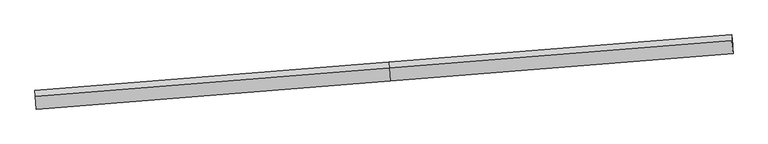
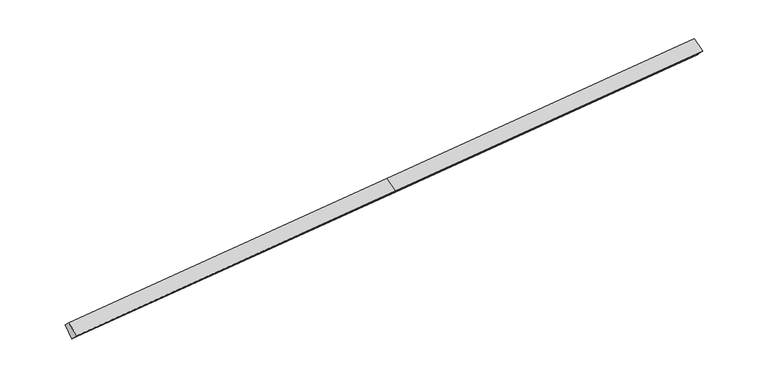
"""IFC4 building model written with IfcOpenShell, lengths in millimetres: proxy geometry."""

from ifc_helpers import new_model, si_unit, origin, place, context, project, spatial, faceted_brep, source, transform, mapped, element, save


def generic_models_b47a809f(model_context):
    return source(origin(), model_context, "Body", "Brep", [
        faceted_brep([(-17067.4353828, -2675.0198114, 992.6145218), (-17061.6770845, -2961.941467, 1278.9380897), (152.7625567, -1590.3476311, 2314.27385), (147.0042584, -1303.4259756, 2027.9502821), (-16999.0481176, -3160.2720825, 504.9732834), (215.3915236, -1788.6782466, 1540.3090437), (-16996.0783502, -3308.2481951, 652.6409401), (218.3612911, -1936.6543592, 1687.9767004), (-16990.4036443, -3591.0046457, 934.8079855), (224.0359969, -2219.4108099, 1970.1437458), (16879.0432488, -595.6788307, 2689.6085621), (16876.0734813, -447.7027181, 2541.9409054), (16807.6862162, 37.549553, 3029.5821437), (16813.4445145, -249.3721026, 3315.9057117), (16884.7179546, -878.4352813, 2971.7756075)], [[[0, 1, 2, 3]], [[4, 0, 5]], [[6, 4, 5, 7]], [[8, 6, 7, 9]], [[1, 8, 9, 2]], [[10, 11, 12, 13, 14]], [[1, 0, 4, 6, 8]], [[3, 5, 0]], [[7, 5, 11, 10]], [[5, 3, 12, 11]], [[3, 2, 13, 12]], [[2, 9, 14, 13]], [[9, 7, 10, 14]]]),
    ])


if __name__ == "__main__":
    model = new_model("IFC4")
    model_context = context("Model", 3, world=origin())
    ifc_project = project(units=[si_unit("LENGTHUNIT", "METRE", prefix="MILLI")], contexts=[model_context])
    site = spatial("IfcSite", under=ifc_project)
    building = spatial("IfcBuilding", under=site)
    placement = place(None, origin())
    generic_models_shape = generic_models_b47a809f(model_context)
    element("IfcBuildingElementProxy", 1, Name="Generic Models", at=placement, inside=building, context=model_context, shape_type="MappedRepresentation", body=[
        mapped(generic_models_shape, transform((0.0, 0.0, 0.0), x_axis=(1.0, 0.0, 0.0), y_axis=(0.0, 1.0, 0.0), z_axis=(0.0, 0.0, 1.0))),
    ])
    save(model, "model.ifc")
